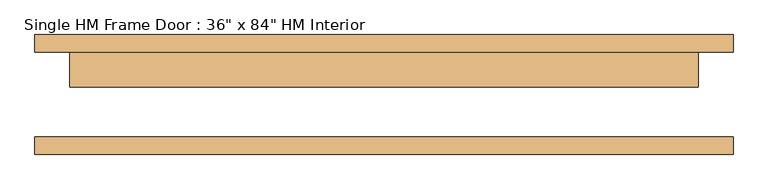
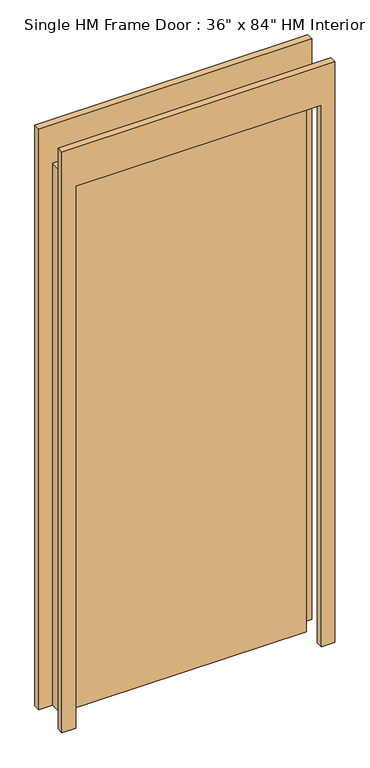
"""IFC4 building model written with IfcOpenShell, lengths in millimetres: door geometry."""

from ifc_helpers import new_model, si_unit, frame, origin, origin_with_axes, place, context, project, spatial, polyline, outline, extrude, source, transform, mapped, element, save


def door_33cdd05b(model_context):
    return source(origin(), model_context, "Body", "SweptSolid", [
        extrude(outline(polyline([(2286.0, -508.0), (0.0, -508.0), (0.0, -457.2), (2133.6, -457.2), (2133.6, 457.2), (0.0, 457.2), (0.0, 508.0), (2286.0, 508.0), (2286.0, -508.0)])), frame((0.0, 61.9125, 0.0), z_axis=(0.0, 1.0, 0.0), x_axis=(0.0, 0.0, 1.0)), (0.0, 0.0, 1.0), 25.4),
        extrude(outline(polyline([(2286.0, 508.0), (2286.0, -508.0), (0.0, -508.0), (0.0, -457.2), (2133.6, -457.2), (2133.6, 457.2), (0.0, 457.2), (0.0, 508.0), (2286.0, 508.0)])), frame((0.0, -87.3125, 0.0), z_axis=(0.0, 1.0, 0.0), x_axis=(0.0, 0.0, 1.0)), (0.0, 0.0, 1.0), 25.4),
        extrude(outline(polyline([(457.2, 11.1125), (-457.2, 11.1125), (-457.2, 76.2), (457.2, 76.2), (457.2, 11.1125)])), origin_with_axes(), (0.0, 0.0, 1.0), 2133.6),
    ])


if __name__ == "__main__":
    model = new_model("IFC4")
    model_context = context("Model", 3, world=origin())
    ifc_project = project(units=[si_unit("LENGTHUNIT", "METRE", prefix="MILLI")], contexts=[model_context])
    site = spatial("IfcSite", under=ifc_project)
    building = spatial("IfcBuilding", under=site)
    placement = place(None, origin())
    door_shape = door_33cdd05b(model_context)
    element("IfcDoor", 1, ObjectType="Single HM Frame Door : 36\" x 84\" HM Interior", at=placement, inside=building, context=model_context, shape_type="MappedRepresentation", body=[
        mapped(door_shape, transform((0.0, 0.0, 0.0), x_axis=(1.0, 0.0, 0.0), y_axis=(0.0, 1.0, 0.0), z_axis=(0.0, 0.0, 1.0))),
    ])
    save(model, "model.ifc")
